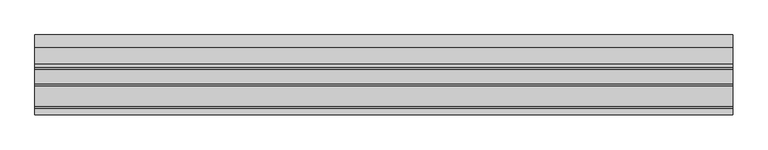
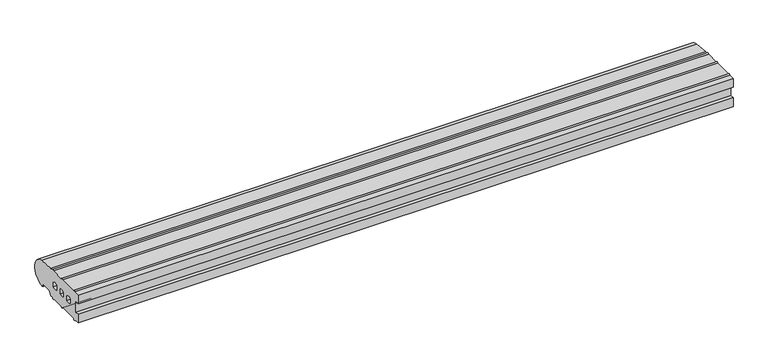
"""IFC4 building model written with IfcOpenShell, lengths in millimetres: proxy geometry."""

from ifc_helpers import new_model, si_unit, point, frame, frame_2d, origin, place, context, project, spatial, polyline, circle_curve, trimmed, segment, composite_curve, outline, extrude, source, transform, mapped, element, save


def generic_models_b4b59aa2(model_context):
    return source(origin(), model_context, "Body", "SweptSolid", [
        extrude(outline(composite_curve([segment(trimmed(circle_curve(frame_2d((26.5732255, 3.5071443)), 1.0), [point((26.5981483, 2.5074549))], [point((25.7072001, 3.0071443))], False, "CARTESIAN"), True, "CONTINUOUS"), segment(polyline([(25.7072001, 3.0071443), (23.6905989, 6.5)]), True, "CONTINUOUS"), segment(trimmed(circle_curve(frame_2d((21.9585481, 5.5)), 2.0), [point((23.6905989, 6.5))], [point((21.9585481, 7.5))], True, "CARTESIAN"), True, "CONTINUOUS"), segment(polyline([(21.9585481, 7.5), (5.4848276, 7.5)]), True, "CONTINUOUS"), segment(trimmed(circle_curve(frame_2d((5.4848276, 5.5)), 2.0), [point((5.4848276, 7.5))], [point((3.7527767, 6.5))], True, "CARTESIAN"), True, "CONTINUOUS"), segment(polyline([(3.7527767, 6.5), (0.2886751, 0.5)]), True, "CONTINUOUS"), segment(trimmed(circle_curve(frame_2d((-0.5773503, 1.0)), 1.0), [point((0.2886751, 0.5))], [point((-0.5773503, 0.0))], False, "CARTESIAN"), True, "CONTINUOUS"), segment(polyline([(-0.5773503, 0.0), (-5.0, 0.0)]), True, "CONTINUOUS"), segment(trimmed(circle_curve(frame_2d((-6.75, 0.0)), 1.75), [point((-5.0, 0.0))], [point((-8.5, 0.0))], False, "CARTESIAN"), True, "CONTINUOUS"), segment(polyline([(-8.5, 0.0), (-33.0, 0.0)]), True, "CONTINUOUS"), segment(trimmed(circle_curve(frame_2d((-34.75, 0.0)), 1.75), [point((-33.0, 0.0))], [point((-36.5, 0.0))], False, "CARTESIAN"), True, "CONTINUOUS"), segment(polyline([(-36.5, 0.0), (-71.0, 0.0)]), True, "CONTINUOUS"), segment(trimmed(circle_curve(frame_2d((-72.75, 0.0)), 1.75), [point((-71.0, 0.0))], [point((-74.5, 0.0))], False, "CARTESIAN"), True, "CONTINUOUS"), segment(polyline([(-74.5, 0.0), (-85.0, 0.0), (-85.0, 16.5), (-78.0, 16.5), (-78.0, 36.5), (-85.0, 36.5), (-85.0, 52.8558627), (-74.5, 52.8558627)]), True, "CONTINUOUS"), segment(trimmed(circle_curve(frame_2d((-72.75, 52.8558627)), 1.75), [point((-74.5, 52.8558627))], [point((-71.0, 52.8558627))], False, "CARTESIAN"), True, "CONTINUOUS"), segment(polyline([(-71.0, 52.8558627), (-36.5, 52.8558627)]), True, "CONTINUOUS"), segment(trimmed(circle_curve(frame_2d((-34.75, 52.8558627)), 1.75), [point((-36.5, 52.8558627))], [point((-33.0, 52.8558627))], False, "CARTESIAN"), True, "CONTINUOUS"), segment(polyline([(-33.0, 52.8558627), (-8.5, 52.8558627)]), True, "CONTINUOUS"), segment(trimmed(circle_curve(frame_2d((-6.75, 52.8558627)), 1.75), [point((-8.5, 52.8558627))], [point((-5.0, 52.8558627))], False, "CARTESIAN"), True, "CONTINUOUS"), segment(polyline([(-5.0, 52.8558627), (0.0400993, 52.8558627), (28.0858073, 50.4091909)]), True, "CONTINUOUS"), segment(trimmed(circle_curve(frame_2d((26.0, 26.5)), 24.0), [point((28.0858073, 50.4091909))], [point((26.5981483, 2.5074549))], False, "CARTESIAN"), True, "CONTINUOUS")], self_intersect=False), holes=[composite_curve([segment(trimmed(circle_curve(frame_2d((-13.0, 23.4166667)), 9.0833333), [point((-8.0, 31.0))], [point((-18.0, 31.0))], True, "CARTESIAN"), True, "CONTINUOUS"), segment(polyline([(-18.0, 31.0), (-18.0, 22.0)]), True, "CONTINUOUS"), segment(trimmed(circle_curve(frame_2d((-13.0, 29.5833333)), 9.0833333), [point((-18.0, 22.0))], [point((-8.0, 22.0))], True, "CARTESIAN"), True, "CONTINUOUS"), segment(polyline([(-8.0, 22.0), (-8.0, 31.0)]), True, "CONTINUOUS")], self_intersect=False), composite_curve([segment(polyline([(-29.0, 22.0), (-29.0, 31.0)]), True, "CONTINUOUS"), segment(trimmed(circle_curve(frame_2d((-34.0, 23.4166667)), 9.0833333), [point((-29.0, 31.0))], [point((-39.0, 31.0))], True, "CARTESIAN"), True, "CONTINUOUS"), segment(polyline([(-39.0, 31.0), (-39.0, 22.0)]), True, "CONTINUOUS"), segment(trimmed(circle_curve(frame_2d((-34.0, 29.5833333)), 9.0833333), [point((-39.0, 22.0))], [point((-29.0, 22.0))], True, "CARTESIAN"), True, "CONTINUOUS")], self_intersect=False), composite_curve([segment(polyline([(-50.0, 22.0), (-50.0, 31.0)]), True, "CONTINUOUS"), segment(trimmed(circle_curve(frame_2d((-55.0, 23.4166667)), 9.0833333), [point((-50.0, 31.0))], [point((-60.0, 31.0))], True, "CARTESIAN"), True, "CONTINUOUS"), segment(polyline([(-60.0, 31.0), (-60.0, 22.0)]), True, "CONTINUOUS"), segment(trimmed(circle_curve(frame_2d((-55.0, 29.5833333)), 9.0833333), [point((-60.0, 22.0))], [point((-50.0, 22.0))], True, "CARTESIAN"), True, "CONTINUOUS")], self_intersect=False)]), frame((0.0, 0.0, 0.0), z_axis=(1.0, 0.0, 0.0), x_axis=(0.0, 1.0, 0.0)), (0.0, 0.0, 1.0), 1180.0),
    ])


if __name__ == "__main__":
    model = new_model("IFC4")
    model_context = context("Model", 3, world=origin())
    ifc_project = project(units=[si_unit("LENGTHUNIT", "METRE", prefix="MILLI")], contexts=[model_context])
    site = spatial("IfcSite", under=ifc_project)
    building = spatial("IfcBuilding", under=site)
    placement = place(None, origin())
    generic_models_shape = generic_models_b4b59aa2(model_context)
    element("IfcBuildingElementProxy", 1, Name="Generic Models", at=placement, inside=building, context=model_context, shape_type="MappedRepresentation", body=[
        mapped(generic_models_shape, transform((0.0, 0.0, 0.0), x_axis=(1.0, 0.0, 0.0), y_axis=(0.0, 1.0, 0.0), z_axis=(0.0, 0.0, 1.0))),
    ])
    save(model, "model.ifc")
